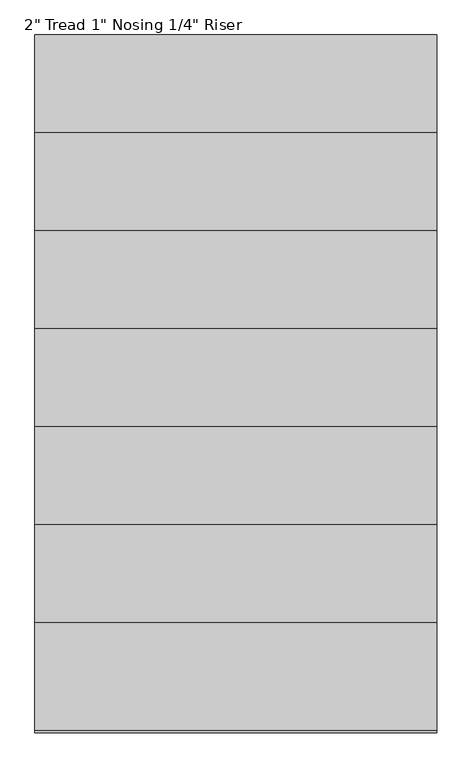
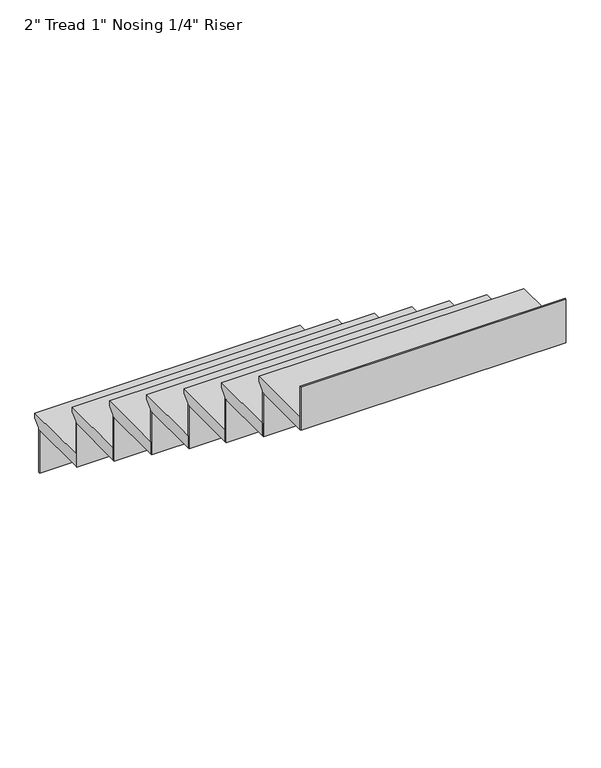
"""IFC4 building model written with IfcOpenShell, lengths in millimetres: stair flight geometry."""

from ifc_helpers import new_model, si_unit, frame, origin, place, context, project, spatial, polyline, outline, extrude, source, transform, mapped, element, save


def stair_flight_a481c954(model_context):
    return source(origin(), model_context, "Body", "SweptSolid", [
        extrude(outline(polyline([(3683.1768749, 1614.4875), (3962.5768749, 1614.4875), (3962.5768749, 1595.4375), (3937.1768749, 1570.0375), (3937.1768749, 1563.6875), (3683.1768749, 1563.6875), (3683.1768749, 1614.4875)])), frame((-899.6415084, 0.0, 0.0), z_axis=(1.0, 0.0, 0.0), x_axis=(0.0, 1.0, 0.0)), (0.0, 0.0, 1.0), 1041.4),
        extrude(outline(polyline([(-899.6415084, 3930.8268749), (-899.6415084, 3937.1768749), (141.7584916, 3937.1768749), (141.7584916, 3930.8268749), (-899.6415084, 3930.8268749)])), frame((0.0, 0.0, 1384.3), z_axis=(0.0, 0.0, 1.0), x_axis=(1.0, 0.0, 0.0)), (0.0, 0.0, 1.0), 179.3875),
        extrude(outline(polyline([(-899.6415084, 3676.8268749), (-899.6415084, 3683.1768749), (141.7584916, 3683.1768749), (141.7584916, 3676.8268749), (-899.6415084, 3676.8268749)])), frame((0.0, 0.0, 1563.6875), z_axis=(0.0, 0.0, 1.0), x_axis=(1.0, 0.0, 0.0)), (0.0, 0.0, 1.0), 179.3875),
        extrude(outline(polyline([(3429.1768749, 1793.875), (3708.5768749, 1793.875), (3708.5768749, 1774.825), (3683.1768749, 1749.425), (3683.1768749, 1743.075), (3429.1768749, 1743.075), (3429.1768749, 1793.875)])), frame((-899.6415084, 0.0, 0.0), z_axis=(1.0, 0.0, 0.0), x_axis=(0.0, 1.0, 0.0)), (0.0, 0.0, 1.0), 1041.4),
        extrude(outline(polyline([(-899.6415084, 3422.8268749), (-899.6415084, 3429.1768749), (141.7584916, 3429.1768749), (141.7584916, 3422.8268749), (-899.6415084, 3422.8268749)])), frame((0.0, 0.0, 1743.075), z_axis=(0.0, 0.0, 1.0), x_axis=(1.0, 0.0, 0.0)), (0.0, 0.0, 1.0), 179.3875),
        extrude(outline(polyline([(3175.1768749, 1973.2625), (3454.5768749, 1973.2625), (3454.5768749, 1954.2125), (3429.1768749, 1928.8125), (3429.1768749, 1922.4625), (3175.1768749, 1922.4625), (3175.1768749, 1973.2625)])), frame((-899.6415084, 0.0, 0.0), z_axis=(1.0, 0.0, 0.0), x_axis=(0.0, 1.0, 0.0)), (0.0, 0.0, 1.0), 1041.4),
        extrude(outline(polyline([(-899.6415084, 3168.8268749), (-899.6415084, 3175.1768749), (141.7584916, 3175.1768749), (141.7584916, 3168.8268749), (-899.6415084, 3168.8268749)])), frame((0.0, 0.0, 1922.4625), z_axis=(0.0, 0.0, 1.0), x_axis=(1.0, 0.0, 0.0)), (0.0, 0.0, 1.0), 179.3875),
        extrude(outline(polyline([(2921.1768749, 2152.65), (3200.5768749, 2152.65), (3200.5768749, 2133.6), (3175.1768749, 2108.2), (3175.1768749, 2101.85), (2921.1768749, 2101.85), (2921.1768749, 2152.65)])), frame((-899.6415084, 0.0, 0.0), z_axis=(1.0, 0.0, 0.0), x_axis=(0.0, 1.0, 0.0)), (0.0, 0.0, 1.0), 1041.4),
        extrude(outline(polyline([(-899.6415084, 2914.8268749), (-899.6415084, 2921.1768749), (141.7584916, 2921.1768749), (141.7584916, 2914.8268749), (-899.6415084, 2914.8268749)])), frame((0.0, 0.0, 2101.85), z_axis=(0.0, 0.0, 1.0), x_axis=(1.0, 0.0, 0.0)), (0.0, 0.0, 1.0), 179.3875),
        extrude(outline(polyline([(2667.1768749, 2332.0375), (2946.5768749, 2332.0375), (2946.5768749, 2312.9875), (2921.1768749, 2287.5875), (2921.1768749, 2281.2375), (2667.1768749, 2281.2375), (2667.1768749, 2332.0375)])), frame((-899.6415084, 0.0, 0.0), z_axis=(1.0, 0.0, 0.0), x_axis=(0.0, 1.0, 0.0)), (0.0, 0.0, 1.0), 1041.4),
        extrude(outline(polyline([(-899.6415084, 2660.8268749), (-899.6415084, 2667.1768749), (141.7584916, 2667.1768749), (141.7584916, 2660.8268749), (-899.6415084, 2660.8268749)])), frame((0.0, 0.0, 2281.2375), z_axis=(0.0, 0.0, 1.0), x_axis=(1.0, 0.0, 0.0)), (0.0, 0.0, 1.0), 179.3875),
        extrude(outline(polyline([(2413.1768749, 2511.425), (2692.5768749, 2511.425), (2692.5768749, 2492.375), (2667.1768749, 2466.975), (2667.1768749, 2460.625), (2413.1768749, 2460.625), (2413.1768749, 2511.425)])), frame((-899.6415084, 0.0, 0.0), z_axis=(1.0, 0.0, 0.0), x_axis=(0.0, 1.0, 0.0)), (0.0, 0.0, 1.0), 1041.4),
        extrude(outline(polyline([(-899.6415084, 2406.8268749), (-899.6415084, 2413.1768749), (141.7584916, 2413.1768749), (141.7584916, 2406.8268749), (-899.6415084, 2406.8268749)])), frame((0.0, 0.0, 2460.625), z_axis=(0.0, 0.0, 1.0), x_axis=(1.0, 0.0, 0.0)), (0.0, 0.0, 1.0), 179.3875),
        extrude(outline(polyline([(-899.6415084, 2152.8268749), (-899.6415084, 2159.1768749), (141.7584916, 2159.1768749), (141.7584916, 2152.8268749), (-899.6415084, 2152.8268749)])), frame((0.0, 0.0, 2640.0125), z_axis=(0.0, 0.0, 1.0), x_axis=(1.0, 0.0, 0.0)), (0.0, 0.0, 1.0), 179.3875),
        extrude(outline(polyline([(2159.1768749, 2690.8125), (2438.5768749, 2690.8125), (2438.5768749, 2671.7625), (2413.1768749, 2646.3625), (2413.1768749, 2640.0125), (2159.1768749, 2640.0125), (2159.1768749, 2690.8125)])), frame((-899.6415084, 0.0, 0.0), z_axis=(1.0, 0.0, 0.0), x_axis=(0.0, 1.0, 0.0)), (0.0, 0.0, 1.0), 1041.4),
    ])


if __name__ == "__main__":
    model = new_model("IFC4")
    model_context = context("Model", 3, world=origin())
    ifc_project = project(units=[si_unit("LENGTHUNIT", "METRE", prefix="MILLI")], contexts=[model_context])
    site = spatial("IfcSite", under=ifc_project)
    building = spatial("IfcBuilding", under=site)
    placement = place(None, origin())
    stair_flight_shape = stair_flight_a481c954(model_context)
    element("IfcStairFlight", 1, ObjectType="2\" Tread 1\" Nosing 1/4\" Riser", at=placement, inside=building, context=model_context, shape_type="MappedRepresentation", body=[
        mapped(stair_flight_shape, transform((0.0, 0.0, 0.0), x_axis=(1.0, 0.0, 0.0), y_axis=(0.0, 1.0, 0.0), z_axis=(0.0, 0.0, 1.0))),
    ])
    save(model, "model.ifc")
